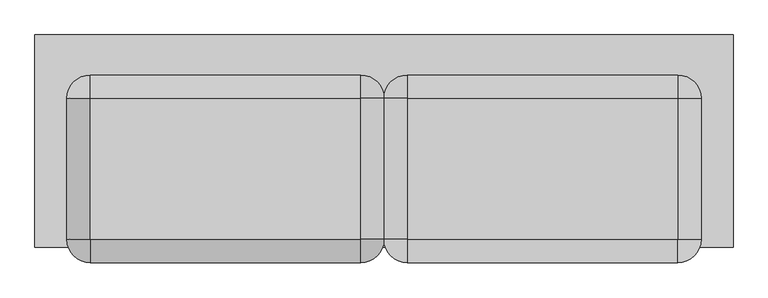
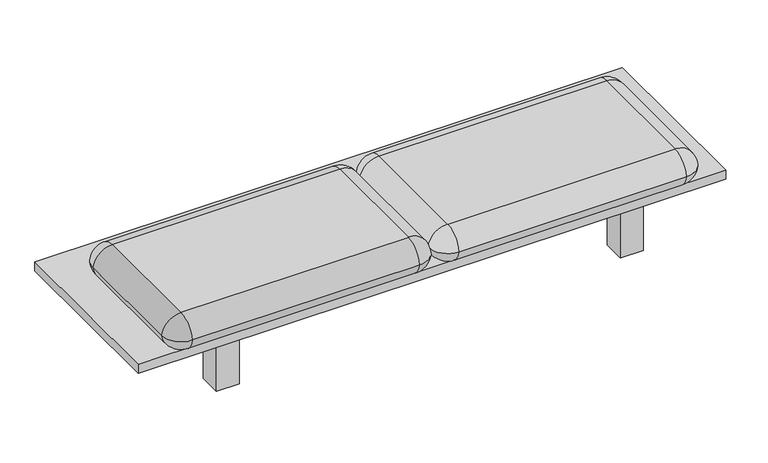
"""IFC4 building model written with IfcOpenShell, lengths in millimetres: furniture geometry."""

from ifc_helpers import new_model, si_unit, point, frame, origin, origin_with_axes, place, context, project, spatial, polyline, circle_curve, ellipse_curve, trimmed, outline, extrude, source, transform, mapped, element, save
from ifc_brep_helpers import plane_surface, cylinder_surface, revolved_surface, advanced_brep


def furniture_03322e44(model_context):
    return source(origin(), model_context, "Body", "SolidModel", [
        advanced_brep(
        [(80.0, -418.1581269, 312.0191817), (80.0, -339.048276, 383.0383634), (79.1098509, -338.1581269, 383.0383634), (0.0, -338.1581269, 312.0191817), (79.1098509, 146.8227704, 383.0383634), (0.0, 146.8227704, 312.0191817), (80.0, 147.7129195, 383.0383634), (80.0, 226.8227704, 312.0191817), (1010.0, 147.7129195, 383.0383634), (1010.0, 226.8227704, 312.0191817), (1010.8901491, 146.8227704, 383.0383634), (1090.0, 146.8227704, 312.0191817), (1010.8901491, -338.1581269, 383.0383634), (1090.0, -338.1581269, 312.0191817), (1010.0, -339.048276, 383.0383634), (1010.0, -418.1581269, 312.0191817), (80.0, -339.048276, 241.0), (79.1098509, -338.1581269, 241.0), (79.1098509, 146.8227704, 241.0), (80.0, 147.7129195, 241.0), (1010.0, 147.7129195, 241.0), (1010.8901491, 146.8227704, 241.0), (1010.8901491, -338.1581269, 241.0), (1010.0, -339.048276, 241.0)],
        [
            (0, 1, circle_curve(frame((80.0, -339.048276, 303.4676587), z_axis=(-1.0, 0.0, 0.0), x_axis=(0.0, -1.0, 0.0)), 79.5707048)),
            (1, 2, circle_curve(frame((80.0, -338.1581269, 383.0383634), z_axis=(0.0, 0.0, -1.0), x_axis=(0.0, -1.0, 0.0)), 0.8901491)),
            (2, 3, circle_curve(frame((79.1098509, -338.1581269, 303.4676587), z_axis=(0.0, -1.0, 0.0), x_axis=(-1.0, 0.0, 0.0)), 79.5707048)),
            (3, 0, circle_curve(frame((80.0, -338.1581269, 312.0191817), z_axis=(0.0, 0.0, 1.0), x_axis=(0.0, -1.0, 0.0)), 80.0)),
            (2, 4),
            (4, 5, circle_curve(frame((79.1098509, 146.8227704, 303.4676587), z_axis=(0.0, -1.0, 0.0), x_axis=(-1.0, 0.0, 0.0)), 79.5707048)),
            (5, 3),
            (4, 6, circle_curve(frame((80.0, 146.8227704, 383.0383634), z_axis=(0.0, 0.0, -1.0), x_axis=(-1.0, 0.0, 0.0)), 0.8901491)),
            (6, 7, circle_curve(frame((80.0, 147.7129195, 303.4676587), z_axis=(-1.0, 0.0, 0.0), x_axis=(0.0, 1.0, 0.0)), 79.5707048)),
            (7, 5, circle_curve(frame((80.0, 146.8227704, 312.0191817), z_axis=(0.0, 0.0, 1.0), x_axis=(-1.0, 0.0, 0.0)), 80.0)),
            (6, 8),
            (8, 9, circle_curve(frame((1010.0, 147.7129195, 303.4676587), z_axis=(-1.0, 0.0, 0.0), x_axis=(0.0, 1.0, 0.0)), 79.5707048)),
            (9, 7),
            (8, 10, circle_curve(frame((1010.0, 146.8227704, 383.0383634), z_axis=(0.0, 0.0, -1.0), x_axis=(0.0, 1.0, 0.0)), 0.8901491)),
            (10, 11, circle_curve(frame((1010.8901491, 146.8227704, 303.4676587), z_axis=(0.0, 1.0, 0.0), x_axis=(1.0, 0.0, 0.0)), 79.5707048)),
            (11, 9, circle_curve(frame((1010.0, 146.8227704, 312.0191817), z_axis=(0.0, 0.0, 1.0), x_axis=(0.0, 1.0, 0.0)), 80.0)),
            (10, 12),
            (12, 13, circle_curve(frame((1010.8901491, -338.1581269, 303.4676587), z_axis=(0.0, 1.0, 0.0), x_axis=(1.0, 0.0, 0.0)), 79.5707048)),
            (13, 11),
            (12, 14, circle_curve(frame((1010.0, -338.1581269, 383.0383634), z_axis=(0.0, 0.0, -1.0), x_axis=(1.0, 0.0, 0.0)), 0.8901491)),
            (14, 15, circle_curve(frame((1010.0, -339.048276, 303.4676587), z_axis=(1.0, 0.0, 0.0), x_axis=(0.0, -1.0, 0.0)), 79.5707048)),
            (15, 13, circle_curve(frame((1010.0, -338.1581269, 312.0191817), z_axis=(0.0, 0.0, 1.0), x_axis=(1.0, 0.0, 0.0)), 80.0)),
            (0, 15),
            (14, 1),
            (16, 0, circle_curve(frame((80.0, -339.048276, 320.5707048), z_axis=(-1.0, 0.0, 0.0), x_axis=(0.0, -1.0, 0.0)), 79.5707048)),
            (3, 17, circle_curve(frame((79.1098509, -338.1581269, 320.5707048), z_axis=(0.0, -1.0, 0.0), x_axis=(-1.0, 0.0, 0.0)), 79.5707048)),
            (17, 16, circle_curve(frame((80.0, -338.1581269, 241.0), z_axis=(0.0, 0.0, 1.0), x_axis=(0.0, -1.0, 0.0)), 0.8901491)),
            (5, 18, circle_curve(frame((79.1098509, 146.8227704, 320.5707048), z_axis=(0.0, -1.0, 0.0), x_axis=(-1.0, 0.0, 0.0)), 79.5707048)),
            (18, 17),
            (7, 19, circle_curve(frame((80.0, 147.7129195, 320.5707048), z_axis=(-1.0, 0.0, 0.0), x_axis=(0.0, 1.0, 0.0)), 79.5707048)),
            (19, 18, circle_curve(frame((80.0, 146.8227704, 241.0), z_axis=(0.0, 0.0, 1.0), x_axis=(-1.0, 0.0, 0.0)), 0.8901491)),
            (9, 20, circle_curve(frame((1010.0, 147.7129195, 320.5707048), z_axis=(-1.0, 0.0, 0.0), x_axis=(0.0, 1.0, 0.0)), 79.5707048)),
            (20, 19),
            (11, 21, circle_curve(frame((1010.8901491, 146.8227704, 320.5707048), z_axis=(0.0, 1.0, 0.0), x_axis=(1.0, 0.0, 0.0)), 79.5707048)),
            (21, 20, circle_curve(frame((1010.0, 146.8227704, 241.0), z_axis=(0.0, 0.0, 1.0), x_axis=(0.0, 1.0, 0.0)), 0.8901491)),
            (13, 22, circle_curve(frame((1010.8901491, -338.1581269, 320.5707048), z_axis=(0.0, 1.0, 0.0), x_axis=(1.0, 0.0, 0.0)), 79.5707048)),
            (22, 21),
            (15, 23, circle_curve(frame((1010.0, -339.048276, 320.5707048), z_axis=(1.0, 0.0, 0.0), x_axis=(0.0, -1.0, 0.0)), 79.5707048)),
            (23, 22, circle_curve(frame((1010.0, -338.1581269, 241.0), z_axis=(0.0, 0.0, 1.0), x_axis=(1.0, 0.0, 0.0)), 0.8901491)),
            (16, 23),
        ],
        [
            revolved_surface(trimmed(ellipse_curve(frame((80.0, -339.048276, 303.4676587), z_axis=(1.0, 0.0, 0.0), x_axis=(0.0, -1.0, 0.0)), 79.5707048, 79.5707048), [point((80.0, -339.048276, 383.0383634))], [point((80.0, -418.1581269, 312.0191817))], True, "CARTESIAN"), (80.0, -338.1581269, 0.0), (0.0, 0.0, -1.0)),
            cylinder_surface(frame((79.1098509, -338.1581269, 303.4676587), z_axis=(0.0, -1.0, 0.0), x_axis=(-1.0, 0.0, 0.0)), 79.5707048),
            revolved_surface(trimmed(ellipse_curve(frame((79.1098509, 146.8227704, 303.4676587), z_axis=(0.0, -1.0, 0.0), x_axis=(-1.0, 0.0, 0.0)), 79.5707048, 79.5707048), [point((79.1098509, 146.8227704, 383.0383634))], [point((0.0, 146.8227704, 312.0191817))], True, "CARTESIAN"), (80.0, 146.8227704, 0.0), (0.0, 0.0, -1.0)),
            cylinder_surface(frame((80.0, 147.7129195, 303.4676587), z_axis=(-1.0, 0.0, 0.0), x_axis=(0.0, 1.0, 0.0)), 79.5707048),
            revolved_surface(trimmed(ellipse_curve(frame((1010.0, 147.7129195, 303.4676587), z_axis=(-1.0, 0.0, 0.0), x_axis=(0.0, 1.0, 0.0)), 79.5707048, 79.5707048), [point((1010.0, 147.7129195, 383.0383634))], [point((1010.0, 226.8227704, 312.0191817))], True, "CARTESIAN"), (1010.0, 146.8227704, 0.0), (0.0, 0.0, -1.0)),
            cylinder_surface(frame((1010.8901491, 146.8227704, 303.4676587), z_axis=(0.0, 1.0, 0.0), x_axis=(1.0, 0.0, 0.0)), 79.5707048),
            revolved_surface(trimmed(ellipse_curve(frame((1010.8901491, -338.1581269, 303.4676587), z_axis=(0.0, 1.0, 0.0), x_axis=(1.0, 0.0, 0.0)), 79.5707048, 79.5707048), [point((1010.8901491, -338.1581269, 383.0383634))], [point((1090.0, -338.1581269, 312.0191817))], True, "CARTESIAN"), (1010.0, -338.1581269, 0.0), (0.0, 0.0, -1.0)),
            cylinder_surface(frame((1010.0, -339.048276, 303.4676587), z_axis=(1.0, 0.0, 0.0), x_axis=(0.0, -1.0, 0.0)), 79.5707048),
            revolved_surface(trimmed(ellipse_curve(frame((80.0, -339.048276, 320.5707048), z_axis=(1.0, 0.0, 0.0), x_axis=(0.0, -1.0, 0.0)), 79.5707048, 79.5707048), [point((80.0, -418.1581269, 312.0191817))], [point((80.0, -339.048276, 241.0))], True, "CARTESIAN"), (80.0, -338.1581269, 637.6976442), (0.0, 0.0, -1.0)),
            cylinder_surface(frame((79.1098509, -338.1581269, 320.5707048), z_axis=(0.0, -1.0, 0.0), x_axis=(-1.0, 0.0, 0.0)), 79.5707048),
            revolved_surface(trimmed(ellipse_curve(frame((79.1098509, 146.8227704, 320.5707048), z_axis=(0.0, -1.0, 0.0), x_axis=(-1.0, 0.0, 0.0)), 79.5707048, 79.5707048), [point((0.0, 146.8227704, 312.0191817))], [point((79.1098509, 146.8227704, 241.0))], True, "CARTESIAN"), (80.0, 146.8227704, 637.6976442), (0.0, 0.0, -1.0)),
            cylinder_surface(frame((80.0, 147.7129195, 320.5707048), z_axis=(-1.0, 0.0, 0.0), x_axis=(0.0, 1.0, 0.0)), 79.5707048),
            revolved_surface(trimmed(ellipse_curve(frame((1010.0, 147.7129195, 320.5707048), z_axis=(-1.0, 0.0, 0.0), x_axis=(0.0, 1.0, 0.0)), 79.5707048, 79.5707048), [point((1010.0, 226.8227704, 312.0191817))], [point((1010.0, 147.7129195, 241.0))], True, "CARTESIAN"), (1010.0, 146.8227704, 637.6976442), (0.0, 0.0, -1.0)),
            cylinder_surface(frame((1010.8901491, 146.8227704, 320.5707048), z_axis=(0.0, 1.0, 0.0), x_axis=(1.0, 0.0, 0.0)), 79.5707048),
            revolved_surface(trimmed(ellipse_curve(frame((1010.8901491, -338.1581269, 320.5707048), z_axis=(0.0, 1.0, 0.0), x_axis=(1.0, 0.0, 0.0)), 79.5707048, 79.5707048), [point((1090.0, -338.1581269, 312.0191817))], [point((1010.8901491, -338.1581269, 241.0))], True, "CARTESIAN"), (1010.0, -338.1581269, 637.6976442), (0.0, 0.0, -1.0)),
            cylinder_surface(frame((1010.0, -339.048276, 320.5707048), z_axis=(1.0, 0.0, 0.0), x_axis=(0.0, -1.0, 0.0)), 79.5707048),
            plane_surface(frame((1010.0, 147.7129195, 383.0383634), z_axis=(0.0, 0.0, 1.0), x_axis=(-1.0, 0.0, 0.0))),
            plane_surface(frame((1010.0, 147.7129195, 241.0), z_axis=(0.0, 0.0, -1.0), x_axis=(1.0, 0.0, 0.0))),
        ],
        [
            (0, [[1, 2, 3, 4]]),
            (1, [[-3, 5, 6, 7]]),
            (2, [[-6, 8, 9, 10]]),
            (3, [[-9, 11, 12, 13]]),
            (4, [[-12, 14, 15, 16]]),
            (5, [[-15, 17, 18, 19]]),
            (6, [[-18, 20, 21, 22]]),
            (7, [[-1, 23, -21, 24]]),
            (8, [[25, -4, 26, 27]]),
            (9, [[-26, -7, 28, 29]]),
            (10, [[-28, -10, 30, 31]]),
            (11, [[-30, -13, 32, 33]]),
            (12, [[-32, -16, 34, 35]]),
            (13, [[-34, -19, 36, 37]]),
            (14, [[-36, -22, 38, 39]]),
            (15, [[-25, 40, -38, -23]]),
            (16, [[-2, -24, -20, -17, -14, -11, -8, -5]]),
            (17, [[-27, -29, -31, -33, -35, -37, -39, -40]]),
        ],
    ),
        advanced_brep(
        [(-80.0, -418.1581269, 312.0191817), (-80.0, -339.048276, 241.0), (-79.1098509, -338.1581269, 241.0), (0.0, -338.1581269, 312.0191817), (-79.1098509, 146.8227704, 241.0), (0.0, 146.8227704, 312.0191817), (-80.0, 147.7129195, 241.0), (-80.0, 226.8227704, 312.0191817), (-1010.0, 147.7129195, 241.0), (-1010.0, 226.8227704, 312.0191817), (-1010.8901491, 146.8227704, 241.0), (-1090.0, 146.8227704, 312.0191817), (-1010.8901491, -338.1581269, 241.0), (-1090.0, -338.1581269, 312.0191817), (-1010.0, -339.048276, 241.0), (-1010.0, -418.1581269, 312.0191817), (-80.0, -339.048276, 383.0383634), (-79.1098509, -338.1581269, 383.0383634), (-79.1098509, 146.8227704, 383.0383634), (-80.0, 147.7129195, 383.0383634), (-1010.0, 147.7129195, 383.0383634), (-1010.8901491, 146.8227704, 383.0383634), (-1010.8901491, -338.1581269, 383.0383634), (-1010.0, -339.048276, 383.0383634)],
        [
            (0, 1, circle_curve(frame((-80.0, -339.048276, 320.5707048), z_axis=(1.0, 0.0, 0.0), x_axis=(0.0, -1.0, 0.0)), 79.5707048)),
            (1, 2, circle_curve(frame((-80.0, -338.1581269, 241.0), z_axis=(0.0, 0.0, 1.0), x_axis=(0.0, -1.0, 0.0)), 0.8901491)),
            (2, 3, circle_curve(frame((-79.1098509, -338.1581269, 320.5707048), z_axis=(0.0, -1.0, 0.0), x_axis=(1.0, 0.0, 0.0)), 79.5707048)),
            (3, 0, circle_curve(frame((-80.0, -338.1581269, 312.0191817), z_axis=(0.0, 0.0, -1.0), x_axis=(0.0, -1.0, 0.0)), 80.0)),
            (2, 4),
            (4, 5, circle_curve(frame((-79.1098509, 146.8227704, 320.5707048), z_axis=(0.0, -1.0, 0.0), x_axis=(1.0, 0.0, 0.0)), 79.5707048)),
            (5, 3),
            (4, 6, circle_curve(frame((-80.0, 146.8227704, 241.0), z_axis=(0.0, 0.0, 1.0), x_axis=(1.0, 0.0, 0.0)), 0.8901491)),
            (6, 7, circle_curve(frame((-80.0, 147.7129195, 320.5707048), z_axis=(1.0, 0.0, 0.0), x_axis=(0.0, 1.0, 0.0)), 79.5707048)),
            (7, 5, circle_curve(frame((-80.0, 146.8227704, 312.0191817), z_axis=(0.0, 0.0, -1.0), x_axis=(1.0, 0.0, 0.0)), 80.0)),
            (6, 8),
            (8, 9, circle_curve(frame((-1010.0, 147.7129195, 320.5707048), z_axis=(1.0, 0.0, 0.0), x_axis=(0.0, 1.0, 0.0)), 79.5707048)),
            (9, 7),
            (8, 10, circle_curve(frame((-1010.0, 146.8227704, 241.0), z_axis=(0.0, 0.0, 1.0), x_axis=(0.0, 1.0, 0.0)), 0.8901491)),
            (10, 11, circle_curve(frame((-1010.8901491, 146.8227704, 320.5707048), z_axis=(0.0, 1.0, 0.0), x_axis=(-1.0, 0.0, 0.0)), 79.5707048)),
            (11, 9, circle_curve(frame((-1010.0, 146.8227704, 312.0191817), z_axis=(0.0, 0.0, -1.0), x_axis=(0.0, 1.0, 0.0)), 80.0)),
            (10, 12),
            (12, 13, circle_curve(frame((-1010.8901491, -338.1581269, 320.5707048), z_axis=(0.0, 1.0, 0.0), x_axis=(-1.0, 0.0, 0.0)), 79.5707048)),
            (13, 11),
            (12, 14, circle_curve(frame((-1010.0, -338.1581269, 241.0), z_axis=(0.0, 0.0, 1.0), x_axis=(-1.0, 0.0, 0.0)), 0.8901491)),
            (14, 15, circle_curve(frame((-1010.0, -339.048276, 320.5707048), z_axis=(-1.0, 0.0, 0.0), x_axis=(0.0, -1.0, 0.0)), 79.5707048)),
            (15, 13, circle_curve(frame((-1010.0, -338.1581269, 312.0191817), z_axis=(0.0, 0.0, -1.0), x_axis=(-1.0, 0.0, 0.0)), 80.0)),
            (0, 15),
            (14, 1),
            (16, 0, circle_curve(frame((-80.0, -339.048276, 303.4676587), z_axis=(1.0, 0.0, 0.0), x_axis=(0.0, -1.0, 0.0)), 79.5707048)),
            (3, 17, circle_curve(frame((-79.1098509, -338.1581269, 303.4676587), z_axis=(0.0, -1.0, 0.0), x_axis=(1.0, 0.0, 0.0)), 79.5707048)),
            (17, 16, circle_curve(frame((-80.0, -338.1581269, 383.0383634), z_axis=(0.0, 0.0, -1.0), x_axis=(0.0, -1.0, 0.0)), 0.8901491)),
            (5, 18, circle_curve(frame((-79.1098509, 146.8227704, 303.4676587), z_axis=(0.0, -1.0, 0.0), x_axis=(1.0, 0.0, 0.0)), 79.5707048)),
            (18, 17),
            (7, 19, circle_curve(frame((-80.0, 147.7129195, 303.4676587), z_axis=(1.0, 0.0, 0.0), x_axis=(0.0, 1.0, 0.0)), 79.5707048)),
            (19, 18, circle_curve(frame((-80.0, 146.8227704, 383.0383634), z_axis=(0.0, 0.0, -1.0), x_axis=(1.0, 0.0, 0.0)), 0.8901491)),
            (9, 20, circle_curve(frame((-1010.0, 147.7129195, 303.4676587), z_axis=(1.0, 0.0, 0.0), x_axis=(0.0, 1.0, 0.0)), 79.5707048)),
            (20, 19),
            (11, 21, circle_curve(frame((-1010.8901491, 146.8227704, 303.4676587), z_axis=(0.0, 1.0, 0.0), x_axis=(-1.0, 0.0, 0.0)), 79.5707048)),
            (21, 20, circle_curve(frame((-1010.0, 146.8227704, 383.0383634), z_axis=(0.0, 0.0, -1.0), x_axis=(0.0, 1.0, 0.0)), 0.8901491)),
            (13, 22, circle_curve(frame((-1010.8901491, -338.1581269, 303.4676587), z_axis=(0.0, 1.0, 0.0), x_axis=(-1.0, 0.0, 0.0)), 79.5707048)),
            (22, 21),
            (15, 23, circle_curve(frame((-1010.0, -339.048276, 303.4676587), z_axis=(-1.0, 0.0, 0.0), x_axis=(0.0, -1.0, 0.0)), 79.5707048)),
            (23, 22, circle_curve(frame((-1010.0, -338.1581269, 383.0383634), z_axis=(0.0, 0.0, -1.0), x_axis=(-1.0, 0.0, 0.0)), 0.8901491)),
            (16, 23),
        ],
        [
            revolved_surface(trimmed(ellipse_curve(frame((-80.0, -339.048276, 320.5707048), z_axis=(-1.0, 0.0, 0.0), x_axis=(0.0, -1.0, 0.0)), 79.5707048, 79.5707048), [point((-80.0, -339.048276, 241.0))], [point((-80.0, -418.1581269, 312.0191817))], True, "CARTESIAN"), (-80.0, -338.1581269, 637.6976442), (0.0, 0.0, 1.0)),
            cylinder_surface(frame((-79.1098509, -338.1581269, 320.5707048), z_axis=(0.0, -1.0, 0.0), x_axis=(1.0, 0.0, 0.0)), 79.5707048),
            revolved_surface(trimmed(ellipse_curve(frame((-79.1098509, 146.8227704, 320.5707048), z_axis=(0.0, -1.0, 0.0), x_axis=(1.0, 0.0, 0.0)), 79.5707048, 79.5707048), [point((-79.1098509, 146.8227704, 241.0))], [point((0.0, 146.8227704, 312.0191817))], True, "CARTESIAN"), (-80.0, 146.8227704, 637.6976442), (0.0, 0.0, 1.0)),
            cylinder_surface(frame((-80.0, 147.7129195, 320.5707048), z_axis=(1.0, 0.0, 0.0), x_axis=(0.0, 1.0, 0.0)), 79.5707048),
            revolved_surface(trimmed(ellipse_curve(frame((-1010.0, 147.7129195, 320.5707048), z_axis=(1.0, 0.0, 0.0), x_axis=(0.0, 1.0, 0.0)), 79.5707048, 79.5707048), [point((-1010.0, 147.7129195, 241.0))], [point((-1010.0, 226.8227704, 312.0191817))], True, "CARTESIAN"), (-1010.0, 146.8227704, 637.6976442), (0.0, 0.0, 1.0)),
            cylinder_surface(frame((-1010.8901491, 146.8227704, 320.5707048), z_axis=(0.0, 1.0, 0.0), x_axis=(-1.0, 0.0, 0.0)), 79.5707048),
            revolved_surface(trimmed(ellipse_curve(frame((-1010.8901491, -338.1581269, 320.5707048), z_axis=(0.0, 1.0, 0.0), x_axis=(-1.0, 0.0, 0.0)), 79.5707048, 79.5707048), [point((-1010.8901491, -338.1581269, 241.0))], [point((-1090.0, -338.1581269, 312.0191817))], True, "CARTESIAN"), (-1010.0, -338.1581269, 637.6976442), (0.0, 0.0, 1.0)),
            cylinder_surface(frame((-1010.0, -339.048276, 320.5707048), z_axis=(-1.0, 0.0, 0.0), x_axis=(0.0, -1.0, 0.0)), 79.5707048),
            revolved_surface(trimmed(ellipse_curve(frame((-80.0, -339.048276, 303.4676587), z_axis=(-1.0, 0.0, 0.0), x_axis=(0.0, -1.0, 0.0)), 79.5707048, 79.5707048), [point((-80.0, -418.1581269, 312.0191817))], [point((-80.0, -339.048276, 383.0383634))], True, "CARTESIAN"), (-80.0, -338.1581269, 0.0), (0.0, 0.0, 1.0)),
            cylinder_surface(frame((-79.1098509, -338.1581269, 303.4676587), z_axis=(0.0, -1.0, 0.0), x_axis=(1.0, 0.0, 0.0)), 79.5707048),
            revolved_surface(trimmed(ellipse_curve(frame((-79.1098509, 146.8227704, 303.4676587), z_axis=(0.0, -1.0, 0.0), x_axis=(1.0, 0.0, 0.0)), 79.5707048, 79.5707048), [point((0.0, 146.8227704, 312.0191817))], [point((-79.1098509, 146.8227704, 383.0383634))], True, "CARTESIAN"), (-80.0, 146.8227704, 0.0), (0.0, 0.0, 1.0)),
            cylinder_surface(frame((-80.0, 147.7129195, 303.4676587), z_axis=(1.0, 0.0, 0.0), x_axis=(0.0, 1.0, 0.0)), 79.5707048),
            revolved_surface(trimmed(ellipse_curve(frame((-1010.0, 147.7129195, 303.4676587), z_axis=(1.0, 0.0, 0.0), x_axis=(0.0, 1.0, 0.0)), 79.5707048, 79.5707048), [point((-1010.0, 226.8227704, 312.0191817))], [point((-1010.0, 147.7129195, 383.0383634))], True, "CARTESIAN"), (-1010.0, 146.8227704, 0.0), (0.0, 0.0, 1.0)),
            cylinder_surface(frame((-1010.8901491, 146.8227704, 303.4676587), z_axis=(0.0, 1.0, 0.0), x_axis=(-1.0, 0.0, 0.0)), 79.5707048),
            revolved_surface(trimmed(ellipse_curve(frame((-1010.8901491, -338.1581269, 303.4676587), z_axis=(0.0, 1.0, 0.0), x_axis=(-1.0, 0.0, 0.0)), 79.5707048, 79.5707048), [point((-1090.0, -338.1581269, 312.0191817))], [point((-1010.8901491, -338.1581269, 383.0383634))], True, "CARTESIAN"), (-1010.0, -338.1581269, 0.0), (0.0, 0.0, 1.0)),
            cylinder_surface(frame((-1010.0, -339.048276, 303.4676587), z_axis=(-1.0, 0.0, 0.0), x_axis=(0.0, -1.0, 0.0)), 79.5707048),
            plane_surface(frame((-1010.8901491, -338.1581269, 383.0383634), z_axis=(0.0, 0.0, 1.0), x_axis=(0.0, -1.0, 0.0))),
            plane_surface(frame((-1010.8901491, -338.1581269, 241.0), z_axis=(0.0, 0.0, -1.0), x_axis=(0.0, 1.0, 0.0))),
        ],
        [
            (0, [[1, 2, 3, 4]]),
            (1, [[-3, 5, 6, 7]]),
            (2, [[-6, 8, 9, 10]]),
            (3, [[-9, 11, 12, 13]]),
            (4, [[-12, 14, 15, 16]]),
            (5, [[-15, 17, 18, 19]]),
            (6, [[-18, 20, 21, 22]]),
            (7, [[-1, 23, -21, 24]]),
            (8, [[25, -4, 26, 27]]),
            (9, [[-26, -7, 28, 29]]),
            (10, [[-28, -10, 30, 31]]),
            (11, [[-30, -13, 32, 33]]),
            (12, [[-32, -16, 34, 35]]),
            (13, [[-34, -19, 36, 37]]),
            (14, [[-36, -22, 38, 39]]),
            (15, [[-25, 40, -38, -23]]),
            (16, [[-27, -29, -31, -33, -35, -37, -39, -40]]),
            (17, [[-2, -24, -20, -17, -14, -11, -8, -5]]),
        ],
    ),
        extrude(outline(polyline([(-871.5, 350.0), (-778.5, 350.0), (-778.5, 257.0), (-871.5, 257.0), (-871.5, 350.0)])), origin_with_axes(), (0.0, 0.0, 1.0), 202.0),
        extrude(outline(polyline([(871.5, 350.0), (871.5, 257.0), (778.5, 257.0), (778.5, 350.0), (871.5, 350.0)])), origin_with_axes(), (0.0, 0.0, 1.0), 202.0),
        extrude(outline(polyline([(-871.5, -350.0), (-871.5, -257.0), (-778.5, -257.0), (-778.5, -350.0), (-871.5, -350.0)])), origin_with_axes(), (0.0, 0.0, 1.0), 202.0),
        extrude(outline(polyline([(871.5, -350.0), (778.5, -350.0), (778.5, -257.0), (871.5, -257.0), (871.5, -350.0)])), origin_with_axes(), (0.0, 0.0, 1.0), 202.0),
        extrude(outline(polyline([(1200.0, 365.0), (1200.0, -365.0), (-1200.0, -365.0), (-1200.0, 365.0), (1200.0, 365.0)])), frame((0.0, 0.0, 202.0), z_axis=(0.0, 0.0, 1.0), x_axis=(1.0, 0.0, 0.0)), (0.0, 0.0, 1.0), 39.0),
    ])


if __name__ == "__main__":
    model = new_model("IFC4")
    model_context = context("Model", 3, world=origin())
    ifc_project = project(units=[si_unit("LENGTHUNIT", "METRE", prefix="MILLI")], contexts=[model_context])
    site = spatial("IfcSite", under=ifc_project)
    building = spatial("IfcBuilding", under=site)
    placement = place(None, origin())
    furniture_shape = furniture_03322e44(model_context)
    element("IfcFurniture", 1, at=placement, inside=building, context=model_context, shape_type="MappedRepresentation", body=[
        mapped(furniture_shape, transform((0.0, 0.0, 0.0), x_axis=(1.0, 0.0, 0.0), y_axis=(0.0, 1.0, 0.0), z_axis=(0.0, 0.0, 1.0))),
    ])
    save(model, "model.ifc")
